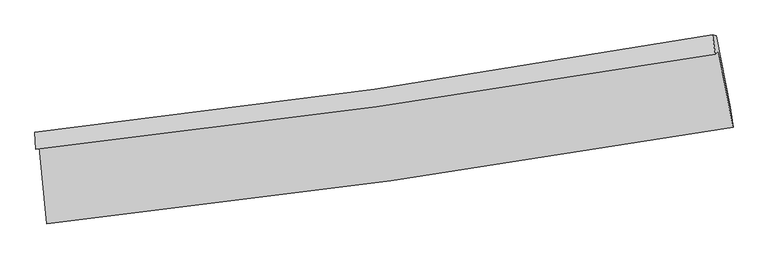
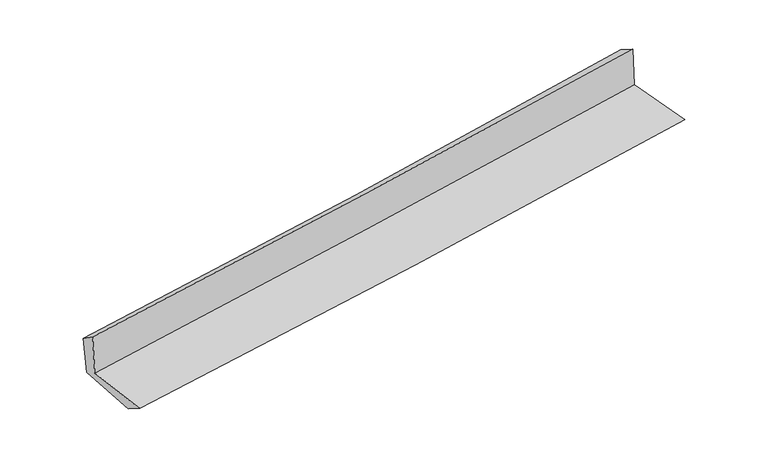
"""IFC4 building model written with IfcOpenShell, lengths in millimetres: proxy geometry."""

import ifcopenshell
import ifcopenshell.guid

model = None  # the IFC model being written
_history = None  # IfcOwnerHistory: only IFC2X3 demands one
_inside = {}  # id of a spatial element -> (the spatial element, [elements in it])
_under = {}  # id of a project, library or spatial element -> (it, [spatial elements below it])
_declared = {}  # id of a project -> (the project, [libraries it declares])
_typed = {}  # id of a type object -> (the type object, [elements of that type])
_made_of = {}  # id of a material, layer set ... -> (it, [elements and type objects made of it])


def new_model(schema):
    """Start an empty IFC model of exactly this schema.

    Asked for "IFC4X3", IfcOpenShell would pick the latest addendum, in which some entities
    have other attributes; the version numbers below select the first issue.
    IFC2X3 requires an IfcOwnerHistory on every rooted entity: one is made here for all.
    """
    global model, _history
    if schema == "IFC4X3":
        model = ifcopenshell.file(schema_version=(4, 3, 0, 0))
    else:
        model = ifcopenshell.file(schema=schema)
    _inside.clear()
    _under.clear()
    _declared.clear()
    _typed.clear()
    _made_of.clear()
    _history = None
    if model.schema == "IFC2X3":
        org = make("IfcOrganization", Name="unknown")
        user = make(
            "IfcPersonAndOrganization",
            ThePerson=make("IfcPerson", FamilyName="unknown"),
            TheOrganization=org,
        )
        app = make(
            "IfcApplication",
            ApplicationDeveloper=org,
            Version="unknown",
            ApplicationFullName="unknown",
            ApplicationIdentifier="unknown",
        )
        _history = make(
            "IfcOwnerHistory",
            OwningUser=user,
            OwningApplication=app,
            ChangeAction="ADDED",
            CreationDate=0,
        )
    return model


def make(cls, **values):
    """One entity of the class cls with the attributes given. An attribute that is None is left unset."""
    return model.create_entity(
        cls, **{name: value for name, value in values.items() if value is not None}
    )


def rooted(cls, **values):
    """An entity with a GlobalId (a new one), such as an element, a storey or a relation."""
    return make(cls, GlobalId=ifcopenshell.guid.new(), OwnerHistory=_history, **values)


def si_unit(unit_type, name, prefix=None):
    """IfcSIUnit, for example si_unit("LENGTHUNIT", "METRE", prefix="MILLI")."""
    return make("IfcSIUnit", UnitType=unit_type, Prefix=prefix, Name=name)


def assignment(units):
    """IfcUnitAssignment: the units of a project."""
    return None if units is None else make("IfcUnitAssignment", Units=units)


def point(xyz):
    """IfcCartesianPoint."""
    return None if xyz is None else make("IfcCartesianPoint", Coordinates=xyz)


def direction(xyz):
    """IfcDirection."""
    return None if xyz is None else make("IfcDirection", DirectionRatios=xyz)


def frame(location, z_axis=None, x_axis=None):
    """IfcAxis2Placement3D, a coordinate frame: its origin and axes. An axis left out is left unset."""
    return make(
        "IfcAxis2Placement3D",
        Location=point(location),
        Axis=direction(z_axis),
        RefDirection=direction(x_axis),
    )


def origin():
    """The frame at (0, 0, 0) with its axes left unset."""
    return frame((0.0, 0.0, 0.0))


def place(relative_to, where):
    """IfcLocalPlacement: puts the frame where relative to a parent placement (None: the world)."""
    return make(
        "IfcLocalPlacement", PlacementRelTo=relative_to, RelativePlacement=where
    )


def context(
    kind, dimensions, precision=None, world=None, true_north=None, identifier=None
):
    """IfcGeometricRepresentationContext, for example the 3D "Model" context."""
    return make(
        "IfcGeometricRepresentationContext",
        ContextIdentifier=identifier,
        ContextType=kind,
        CoordinateSpaceDimension=dimensions,
        Precision=precision,
        WorldCoordinateSystem=world,
        TrueNorth=true_north,
    )


def project(units=None, contexts=None):
    """IfcProject with its units and contexts."""
    return rooted(
        "IfcProject",
        Name="project",
        RepresentationContexts=contexts,
        UnitsInContext=assignment(units),
    )


def spatial(cls, under=None, at=None, **own):
    """A site, building, storey or space (cls), placed at a placement, below another one or the project."""
    s = rooted(cls, ObjectPlacement=at, **own)
    if under is not None:
        _under.setdefault(under.id(), (under, []))[1].append(s)
    return s


def shape(context_of_items, identifier, shape_type, items):
    """IfcShapeRepresentation: the items that make up one representation, for example the "Body"."""
    return make(
        "IfcShapeRepresentation",
        ContextOfItems=context_of_items,
        RepresentationIdentifier=identifier,
        RepresentationType=shape_type,
        Items=items,
    )


def source(mapping_origin, context_of_items, identifier, shape_type, items):
    """IfcRepresentationMap: a shape defined once, which mapped items show again and again."""
    return make(
        "IfcRepresentationMap",
        MappingOrigin=mapping_origin,
        MappedRepresentation=shape(context_of_items, identifier, shape_type, items),
    )


def transform(
    local_origin,
    x_axis=None,
    y_axis=None,
    z_axis=None,
    scale=None,
    scale2=None,
    scale3=None,
    uniform=True,
):
    """IfcCartesianTransformationOperator3D, or its non-uniform kind. x_axis, y_axis, z_axis: its Axis1, 2, 3."""
    if uniform:
        return make(
            "IfcCartesianTransformationOperator3D",
            Axis1=direction(x_axis),
            Axis2=direction(y_axis),
            LocalOrigin=point(local_origin),
            Scale=scale,
            Axis3=direction(z_axis),
        )
    return make(
        "IfcCartesianTransformationOperator3DnonUniform",
        Axis1=direction(x_axis),
        Axis2=direction(y_axis),
        LocalOrigin=point(local_origin),
        Scale=scale,
        Axis3=direction(z_axis),
        Scale2=scale2,
        Scale3=scale3,
    )


def mapped(mapping_source, mapping_target):
    """IfcMappedItem: shows the shape of a source again, moved by a transform."""
    return make(
        "IfcMappedItem", MappingSource=mapping_source, MappingTarget=mapping_target
    )


def made_of(thing, what):
    """Note that an element or type object is made of a material, layer set ...; save() writes the relation."""
    if what is not None:
        _made_of.setdefault(what.id(), (what, []))[1].append(thing)
    return thing


def element(
    cls,
    number,
    at=None,
    inside=None,
    cuts=None,
    type_object=None,
    material=None,
    context=None,
    identifier="Body",
    shape_type=None,
    held_by="IfcProductDefinitionShape",
    body=None,
    shapes=None,
    **own,
):
    """One element of the class cls, such as IfcWall. Its Tag is "e" and its number.

    at: its placement. inside: the storey or other place that contains it. cuts: it is an
    opening in that element (IfcRelVoidsElement). A single representation is given by context,
    identifier, shape_type and body (its items); several are given by shapes. held_by: the class
    of the entity that holds the representations. save() writes the other relations.
    """
    e = rooted(cls, Tag="e%d" % number, ObjectPlacement=at, **own)
    if body is not None:
        shapes = [shape(context, identifier, shape_type, body)]
    if shapes is not None:
        e.Representation = make(held_by, Representations=shapes)
    if inside is not None:
        _inside.setdefault(inside.id(), (inside, []))[1].append(e)
    if cuts is not None:
        rooted(
            "IfcRelVoidsElement", RelatingBuildingElement=cuts, RelatedOpeningElement=e
        )
    if type_object is not None:
        _typed.setdefault(type_object.id(), (type_object, []))[1].append(e)
    return made_of(e, material)


def aggregate(whole, parts):
    """IfcRelAggregates: a whole, such as a stair, and the parts it consists of."""
    return rooted("IfcRelAggregates", RelatingObject=whole, RelatedObjects=parts)


def save(model, path):
    """Write the relations noted so far, then the file.

    IfcRelAggregates (storeys below a building ...), IfcRelContainedInSpatialStructure (elements
    in a storey), IfcRelDefinesByType, IfcRelAssociatesMaterial and IfcRelDeclares: one each for
    every whole, place, type object, material and project.
    """
    for whole, parts in _under.values():
        aggregate(whole, parts)
    for where, things in _inside.values():
        rooted(
            "IfcRelContainedInSpatialStructure",
            RelatedElements=things,
            RelatingStructure=where,
        )
    for kind, things in _typed.values():
        rooted("IfcRelDefinesByType", RelatedObjects=things, RelatingType=kind)
    for what, things in _made_of.values():
        rooted("IfcRelAssociatesMaterial", RelatedObjects=things, RelatingMaterial=what)
    for by, libraries in _declared.values():
        rooted("IfcRelDeclares", RelatingContext=by, RelatedDefinitions=libraries)
    model.write(path)


def plane_surface(at):
    """IfcPlane: the flat surface through the origin of the frame at, square to its z axis."""
    return make("IfcPlane", Position=at)


def spline_curve(degree, points, multiplicities, knots, weights=None):
    """IfcBSplineCurveWithKnots; with weights, IfcRationalBSplineCurveWithKnots."""
    own = dict(
        Degree=degree,
        ControlPointsList=[point(p) for p in points],
        CurveForm="UNSPECIFIED",
        ClosedCurve=False,
        SelfIntersect=False,
        KnotMultiplicities=multiplicities,
        Knots=knots,
        KnotSpec="UNSPECIFIED",
    )
    if weights is None:
        return make("IfcBSplineCurveWithKnots", **own)
    return make("IfcRationalBSplineCurveWithKnots", WeightsData=weights, **own)


def spline_surface(u_degree, v_degree, points, u_multiplicities, v_multiplicities, u_knots, v_knots, weights=None):
    """IfcBSplineSurfaceWithKnots; with weights, IfcRationalBSplineSurfaceWithKnots. points: one row for each step in u."""
    own = dict(
        UDegree=u_degree,
        VDegree=v_degree,
        ControlPointsList=[[point(p) for p in row] for row in points],
        SurfaceForm="UNSPECIFIED",
        UClosed=False,
        VClosed=False,
        SelfIntersect=False,
        UMultiplicities=u_multiplicities,
        VMultiplicities=v_multiplicities,
        UKnots=u_knots,
        VKnots=v_knots,
        KnotSpec="UNSPECIFIED",
    )
    if weights is None:
        return make("IfcBSplineSurfaceWithKnots", **own)
    return make("IfcRationalBSplineSurfaceWithKnots", WeightsData=weights, **own)


def advanced_brep(points, edges, surfaces, faces):
    """IfcAdvancedBrep: a solid bounded by faces that lie on surfaces and meet in shared edges.

    An edge is (start, end): straight between two places in points (the first is 0);
    or (start, end, curve); or (start, end, curve, False) where it runs against its curve.
    A face is (place in surfaces, loops), or (place, loops, False) where it looks against
    its surface's normal. A loop lists edges by number (the first is 1), with a minus sign
    where the edge is run from its end to its start. The first loop is the outer one.
    """
    corners = [point(p) for p in points]
    vertices = [make("IfcVertexPoint", VertexGeometry=c) for c in corners]
    made = []
    for start, end, *more in edges:
        made.append(
            make(
                "IfcEdgeCurve",
                EdgeStart=vertices[start],
                EdgeEnd=vertices[end],
                EdgeGeometry=more[0] if more else make("IfcPolyline", Points=[corners[start], corners[end]]),
                SameSense=more[1] if len(more) > 1 else True,
            )
        )
    hull = []
    for where, loops, *sense in faces:
        bounds = []
        for j, loop in enumerate(loops):
            ring = [make("IfcOrientedEdge", EdgeElement=made[abs(k) - 1], Orientation=k > 0) for k in loop]
            bounds.append(
                make(
                    "IfcFaceOuterBound" if j == 0 else "IfcFaceBound",
                    Bound=make("IfcEdgeLoop", EdgeList=ring),
                    Orientation=True,
                )
            )
        hull.append(make("IfcAdvancedFace", Bounds=bounds, FaceSurface=surfaces[where], SameSense=sense[0] if sense else True))
    return make("IfcAdvancedBrep", Outer=make("IfcClosedShell", CfsFaces=hull))


def generic_models_ec147008(model_context):
    return source(origin(), model_context, "Body", "AdvancedBrep", [
        advanced_brep(
        [(-3053.3748474, -1910.5821808, 1612.0430812), (-2985.2812269, -2591.5066321, 1617.6410614), (3134.854538, -1729.1834444, 2105.4584424), (3004.4834244, -1051.7698648, 2116.6412958), (-3084.1520462, -1925.4767146, 2028.1187954), (2976.1215113, -1077.8494513, 2529.2819139), (-3091.3758594, -1774.6061572, 1925.5091911), (2951.2622374, -907.2939237, 2433.5369168), (-3061.1449362, -1780.5720243, 1543.5389067), (2982.7912873, -912.9344981, 2056.7230543), (-2995.1730579, -2408.8372254, 1508.1707921), (3107.5877754, -1554.5291657, 2029.8111757)],
        [
            (0, 1),
            (1, 2, spline_curve(3, [(-2985.2812269, -2591.5066321, 1617.6410614), (-1961.56978347, -2479.948276934, 1708.470646461), (-939.524970502, -2352.278069857, 1794.549443265), (1100.51795484, -2064.814484779, 1957.148595858), (2118.518396564, -1905.043629142, 2033.675592712), (3134.854538, -1729.1834444, 2105.4584424)], [4, 2, 4], [0.0, 10.125555762542778, 20.244031819483393])),
            (2, 3),
            (3, 0, spline_curve(3, [(3004.4834244, -1051.7698648, 2116.6412958), (1997.647537673, -1221.213645616, 2049.354691458), (989.585046007, -1377.482809658, 1973.679178215), (-1029.699327227, -1663.77202428, 1805.491516906), (-2040.92292646, -1793.773632153, 1712.967624957), (-3053.3748474, -1910.5821808, 1612.0430812)], [4, 2, 4], [0.0, 10.118476056940615, 20.244031819483393])),
            (4, 0),
            (3, 5),
            (5, 4, spline_curve(3, [(2976.1215113, -1077.8494513, 2529.2819139), (1969.357766519, -1249.203265629, 2461.25011763), (961.130225238, -1405.49634419, 2385.487936336), (-1058.958911498, -1688.059848199, 2218.4443849), (-2070.822556001, -1814.309190449, 2127.152193518), (-3084.1520462, -1925.4767146, 2028.1187954)], [4, 2, 4], [0.0, 10.069291006638439, 20.145627305033102])),
            (6, 4),
            (5, 7),
            (7, 6, spline_curve(3, [(2951.2622374, -907.2939237, 2433.5369168), (1948.783582367, -1084.353350409, 2357.292563492), (944.167929371, -1245.139499981, 2276.851017225), (-1070.041778088, -1534.266358132, 2107.514317255), (-2079.638824121, -1662.584286183, 2018.613288631), (-3091.3758594, -1774.6061572, 1925.5091911)], [4, 2, 4], [0.0, 10.05828233034133, 20.12360224987707])),
            (8, 6),
            (7, 9),
            (9, 8, spline_curve(3, [(2982.7912873, -912.9344981, 2056.7230543), (1979.94784723, -1090.035303024, 1981.357446485), (975.041636358, -1250.869237988, 1900.926025122), (-1039.600883638, -1540.104517842, 1729.871733686), (-2049.340080835, -1668.483091795, 1639.241772879), (-3061.1449362, -1780.5720243, 1543.5389067)], [4, 2, 4], [0.0, 10.048228550141259, 20.10348765503779])),
            (10, 8),
            (9, 11),
            (11, 10, spline_curve(3, [(3107.5877754, -1554.5291657, 2029.8111757), (2094.695036515, -1733.639931792, 1954.463520939), (1079.863796394, -1894.369186795, 1873.33688576), (-954.387101079, -2179.164271219, 1699.46484743), (-1973.809472141, -2303.204369764, 1606.711354878), (-2995.1730579, -2408.8372254, 1508.1707921)], [4, 2, 4], [0.0, 10.096551148488482, 20.200166662136915])),
            (1, 10),
            (11, 2),
        ],
        [
            spline_surface(3, 3, [[(-3053.3748474, -1910.5821808, 1612.0430812), (-2040.922926376, -1793.773632246, 1712.967624863), (-1029.699327384, -1663.772024208, 1805.491516754), (989.585046164, -1377.48280973, 1973.679178366), (1997.647537746, -1221.213645708, 2049.354691397), (3004.4834244, -1051.7698648, 2116.6412958)], [(-3030.676973884, -2137.556997912, 1613.909074577), (-2014.471878733, -2022.498513771, 1711.468632084), (-999.641208406, -1893.274039483, 1801.844158943), (1026.56268235, -1606.593368081, 1968.16898421), (2037.93782404, -1449.15697344, 2044.128325219), (3047.940462247, -1277.574391305, 2112.913678017)], [(-3007.979100416, -2364.531814988, 1615.775068023), (-1988.020831136, -2251.223395258, 1709.969639373), (-969.583089395, -2122.776054669, 1798.196801084), (1063.540318568, -1835.703926342, 1962.658790006), (2078.228110393, -1677.100301257, 2038.901958991), (3091.397500153, -1503.378917895, 2109.186060183)], [(-2985.2812269, -2591.5066321, 1617.6410614), (-1961.569783494, -2479.948276783, 1708.470646593), (-939.524970417, -2352.278069943, 1794.549443273), (1100.517954754, -2064.814484693, 1957.14859585), (2118.518396688, -1905.043628988, 2033.675592813), (3134.854538, -1729.1834444, 2105.4584424)]], [4, 4], [4, 2, 4], [0.0, 2.281378037037174], [0.0, 10.125555762542778, 20.244031819483393]),
            spline_surface(3, 3, [[(-3084.1520462, -1925.4767146, 2028.1187954), (-2070.822556142, -1814.309190497, 2127.152193458), (-1058.958911508, -1688.059848146, 2218.4443849), (961.130225248, -1405.496344243, 2385.487936337), (1969.357766407, -1249.203265512, 2461.250117737), (2976.1215113, -1077.8494513, 2529.2819139)], [(-3073.892979935, -1920.51186997, 1889.426890688), (-2060.856012888, -1807.464004384, 1989.090670615), (-1049.205716814, -1679.963906831, 2080.793428848), (970.615165539, -1396.158499402, 2248.218350343), (1978.787690178, -1239.873392253, 2323.951642289), (2985.575482324, -1069.156255809, 2391.735041198)], [(-3063.633913665, -1915.54702543, 1750.734985912), (-2050.889469629, -1800.61881836, 1851.029147707), (-1039.452522078, -1671.867965524, 1943.142472806), (980.100105873, -1386.82065457, 2110.94876436), (1988.217613975, -1230.543518967, 2186.653166846), (2995.029453376, -1060.463060291, 2254.188168502)], [(-3053.3748474, -1910.5821808, 1612.0430812), (-2040.922926376, -1793.773632246, 1712.967624863), (-1029.699327384, -1663.772024208, 1805.491516754), (989.585046164, -1377.48280973, 1973.679178366), (1997.647537746, -1221.213645708, 2049.354691397), (3004.4834244, -1051.7698648, 2116.6412958)]], [4, 4], [4, 2, 4], [0.0, 1.3589760403697349], [0.0, 10.076336298394663, 20.145627305033102]),
            spline_surface(3, 3, [[(-3091.3758594, -1774.6061572, 1925.5091911), (-2079.638824053, -1662.584286205, 2018.613288591), (-1070.041778086, -1534.266358062, 2107.514317343), (944.167929369, -1245.139500051, 2276.851017137), (1948.783582333, -1084.353350371, 2357.292563601), (2951.2622374, -907.2939237, 2433.5369168)], [(-3088.967921686, -1824.896343002, 1959.712392529), (-2076.700068101, -1713.159254305, 2054.792923543), (-1066.347489229, -1585.530854763, 2144.49100653), (949.822027993, -1298.591781455, 2313.063323539), (1955.641643691, -1139.303322082, 2391.94508163), (2959.548662034, -964.145766231, 2465.451915816)], [(-3086.559983914, -1875.186528798, 1993.915593971), (-2073.761312093, -1763.734222398, 2090.972558507), (-1062.653200365, -1636.795351445, 2181.467695713), (955.476126624, -1352.04406284, 2349.275629935), (1962.499705048, -1194.2532938, 2426.597599709), (2967.835086666, -1020.997608769, 2497.366914884)], [(-3084.1520462, -1925.4767146, 2028.1187954), (-2070.822556142, -1814.309190497, 2127.152193458), (-1058.958911508, -1688.059848146, 2218.4443849), (961.130225248, -1405.496344243, 2385.487936337), (1969.357766407, -1249.203265512, 2461.250117737), (2976.1215113, -1077.8494513, 2529.2819139)]], [4, 4], [4, 2, 4], [0.0, 0.6304085286109611], [0.0, 10.06531991953574, 20.12360224987707]),
            spline_surface(3, 3, [[(-3061.1449362, -1780.5720243, 1543.5389067), (-2049.34008081, -1668.483091835, 1639.24177284), (-1039.600883774, -1540.104517872, 1729.871733834), (975.041636495, -1250.869237958, 1900.926024974), (1979.947847275, -1090.035303141, 1981.357446526), (2982.7912873, -912.9344981, 2056.7230543)], [(-3071.221910587, -1778.583401961, 1670.862334838), (-2059.439661878, -1666.51682332, 1765.698944761), (-1049.747848531, -1538.158464587, 1855.752594979), (964.7504008, -1248.959325307, 2026.23435567), (1969.559758966, -1088.141318884, 2106.669152237), (2972.281604005, -911.054306633, 2182.327675153)], [(-3081.298885013, -1776.594779539, 1798.185762962), (-2069.539242984, -1664.550554721, 1892.15611667), (-1059.894813329, -1536.212411347, 1981.633456198), (954.459165064, -1247.049412702, 2151.542686441), (1959.171670642, -1086.247334628, 2231.98085789), (2961.771920695, -909.174115167, 2307.932295947)], [(-3091.3758594, -1774.6061572, 1925.5091911), (-2079.638824053, -1662.584286205, 2018.613288591), (-1070.041778086, -1534.266358062, 2107.514317343), (944.167929369, -1245.139500051, 2276.851017137), (1948.783582333, -1084.353350371, 2357.292563601), (2951.2622374, -907.2939237, 2433.5369168)]], [4, 4], [4, 2, 4], [0.0, 1.240399574500016], [0.0, 10.05525910489653, 20.10348765503779]),
            spline_surface(3, 3, [[(-2995.1730579, -2408.8372254, 1508.1707921), (-1973.809472018, -2303.204369806, 1606.711354989), (-954.387101079, -2179.164271321, 1699.46484751), (1079.863796394, -1894.369186692, 1873.33688568), (2094.695036581, -1733.63993196, 1954.463520989), (3107.5877754, -1554.5291657, 2029.8111757)], [(-3017.163684012, -2199.415491677, 1519.960163631), (-1998.986341627, -2091.63061046, 1617.554827604), (-982.791695321, -1966.144353488, 1709.600476296), (1044.923076417, -1679.869203763, 1882.533265456), (2056.445973489, -1519.105055695, 1963.428162808), (3065.988946043, -1340.664276508, 2038.781801873)], [(-3039.154310088, -1989.993758023, 1531.749535169), (-2024.163211201, -1880.056851182, 1628.398300226), (-1011.196289532, -1753.124435706, 1719.736105048), (1009.982356471, -1465.369220887, 1891.729645198), (2018.196910367, -1304.570179406, 1972.392804707), (3024.390116657, -1126.799387292, 2047.752428127)], [(-3061.1449362, -1780.5720243, 1543.5389067), (-2049.34008081, -1668.483091835, 1639.24177284), (-1039.600883774, -1540.104517872, 1729.871733834), (975.041636495, -1250.869237958, 1900.926024974), (1979.947847275, -1090.035303141, 1981.357446526), (2982.7912873, -912.9344981, 2056.7230543)]], [4, 4], [4, 2, 4], [0.0, 2.1290247241718134], [0.0, 10.103615513648434, 20.200166662136915]),
            spline_surface(3, 3, [[(-2985.2812269, -2591.5066321, 1617.6410614), (-1961.569783494, -2479.948276783, 1708.470646593), (-939.524970417, -2352.278069943, 1794.549443273), (1100.517954754, -2064.814484693, 1957.14859585), (2118.518396688, -1905.043628988, 2033.675592813), (3134.854538, -1729.1834444, 2105.4584424)], [(-2988.578503896, -2530.616829877, 1581.150971637), (-1965.649679664, -2421.033641135, 1674.550882729), (-944.479013948, -2294.573470403, 1762.854578019), (1093.633235324, -2007.999385359, 1929.211359126), (2110.577276665, -1847.909063326, 2007.271568881), (3125.765617146, -1670.965351513, 2080.242686843)], [(-2991.875780904, -2469.727027623, 1544.660881863), (-1969.729575847, -2362.119005455, 1640.631118854), (-949.433057548, -2236.868870862, 1731.159712765), (1086.748515824, -1951.184286026, 1901.274122404), (2102.636156604, -1790.774497622, 1980.867544921), (3116.676696254, -1612.747258587, 2055.026931257)], [(-2995.1730579, -2408.8372254, 1508.1707921), (-1973.809472018, -2303.204369806, 1606.711354989), (-954.387101079, -2179.164271321, 1699.46484751), (1079.863796394, -1894.369186692, 1873.33688568), (2094.695036581, -1733.63993196, 1954.463520989), (3107.5877754, -1554.5291657, 2029.8111757)]], [4, 4], [4, 2, 4], [0.0, 0.6380832233404383], [0.0, 10.162938572016076, 20.318771300675987]),
            plane_surface(frame((3026.1834623, -1205.5933913, 2211.9087998), z_axis=(0.9791424501242199, 0.18713388320764432, 0.07912630485728256), x_axis=(-0.08337209600312076, 0.014915340365432204, 0.9964068577794062))),
            plane_surface(frame((-3045.0836623, -2065.2634891, 1705.8369713), z_axis=(-0.9920235371829348, -0.0998367170317717, -0.07695408765865798), x_axis=(-0.0995020904616793, 0.9950037288443814, -0.008180072098248425))),
        ],
        [
            (0, [[1, 2, 3, 4]]),
            (1, [[5, -4, 6, 7]]),
            (2, [[8, -7, 9, 10]]),
            (3, [[11, -10, 12, 13]]),
            (4, [[14, -13, 15, 16]]),
            (5, [[17, -16, 18, -2]]),
            (6, [[-12, -9, -6, -3, -18, -15]]),
            (7, [[-1, -5, -8, -11, -14, -17]]),
        ],
    ),
    ])


if __name__ == "__main__":
    model = new_model("IFC4")
    model_context = context("Model", 3, world=origin())
    ifc_project = project(units=[si_unit("LENGTHUNIT", "METRE", prefix="MILLI")], contexts=[model_context])
    site = spatial("IfcSite", under=ifc_project)
    building = spatial("IfcBuilding", under=site)
    placement = place(None, origin())
    generic_models_shape = generic_models_ec147008(model_context)
    element("IfcBuildingElementProxy", 1, Name="Generic Models", at=placement, inside=building, context=model_context, shape_type="MappedRepresentation", body=[
        mapped(generic_models_shape, transform((0.0, 0.0, 0.0), x_axis=(1.0, 0.0, 0.0), y_axis=(0.0, 1.0, 0.0), z_axis=(0.0, 0.0, 1.0))),
    ])
    save(model, "model.ifc")
